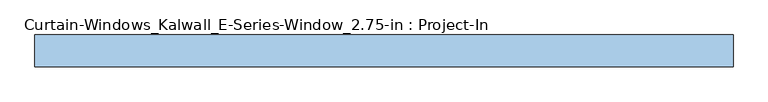
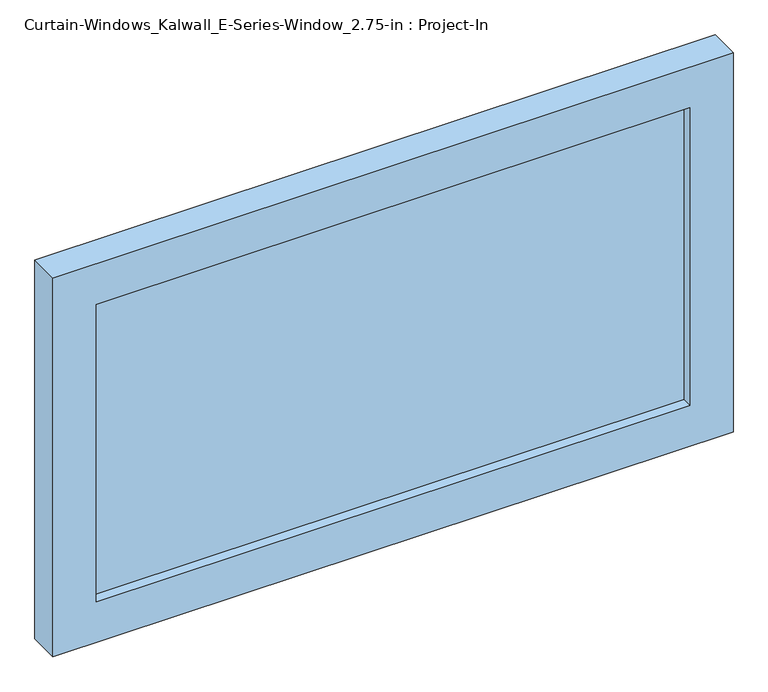
"""IFC4 building model written with IfcOpenShell, lengths in millimetres: window geometry, Curtain-Windows_Kalwall_E-Series-Window_2.75-in : Project-In."""

from ifc_helpers import new_model, si_unit, frame, origin, place, context, project, spatial, polyline, outline, extrude, source, transform, mapped, element, save


def curtain_windows_kalwall_e_series_window_2_75_in_project_in_f12e642d(model_context):
    return source(origin(), model_context, "Body", "SweptSolid", [
        extrude(outline(polyline([(898.525, -761.978), (0.0, -761.978), (0.0, 761.978), (898.525, 761.978), (898.525, -761.978)]), holes=[polyline([(801.751, 665.204), (96.774, 665.204), (96.774, -665.204), (801.751, -665.204), (801.751, 665.204)])]), frame((0.0, -34.925, 0.0), z_axis=(0.0, 1.0, 0.0), x_axis=(0.0, 0.0, 1.0)), (0.0, 0.0, 1.0), 69.85),
        extrude(outline(polyline([(665.204, 12.7), (665.204, -12.7), (-665.204, -12.7), (-665.204, 12.7), (665.204, 12.7)])), frame((0.0, 0.0, 96.774), z_axis=(0.0, 0.0, 1.0), x_axis=(1.0, 0.0, 0.0)), (0.0, 0.0, 1.0), 704.977),
    ])


if __name__ == "__main__":
    model = new_model("IFC4")
    model_context = context("Model", 3, world=origin())
    ifc_project = project(units=[si_unit("LENGTHUNIT", "METRE", prefix="MILLI")], contexts=[model_context])
    site = spatial("IfcSite", under=ifc_project)
    building = spatial("IfcBuilding", under=site)
    placement = place(None, origin())
    curtain_windows_kalwall_e_series_window_2_75_in_project_in_shape = curtain_windows_kalwall_e_series_window_2_75_in_project_in_f12e642d(model_context)
    element("IfcWindow", 1, ObjectType="Curtain-Windows_Kalwall_E-Series-Window_2.75-in : Project-In", at=placement, inside=building, context=model_context, shape_type="MappedRepresentation", body=[
        mapped(curtain_windows_kalwall_e_series_window_2_75_in_project_in_shape, transform((0.0, 0.0, 0.0), x_axis=(1.0, 0.0, 0.0), y_axis=(0.0, 1.0, 0.0), z_axis=(0.0, 0.0, 1.0))),
    ])
    save(model, "model.ifc")
